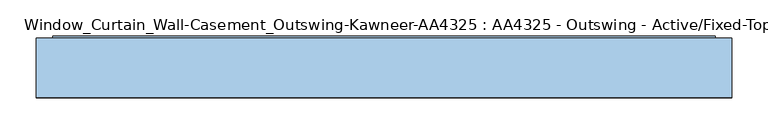
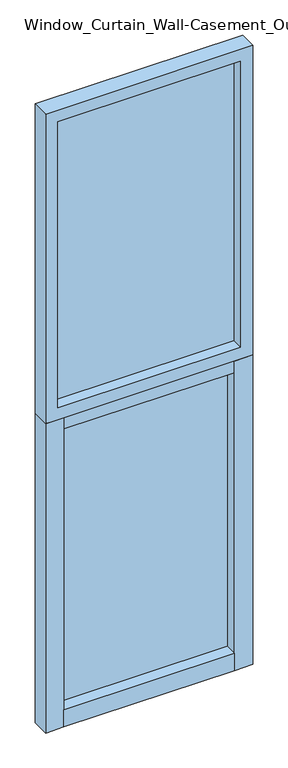
"""IFC4 building model written with IfcOpenShell, lengths in millimetres: window geometry, Window_Curtain_Wall-Casement_Outswing-Kawneer-AA4325 : AA4325 - Outswing - Active/Fixed-Top."""

from ifc_helpers import new_model, si_unit, frame, origin, origin_with_axes, place, context, project, spatial, polyline, outline, extrude, source, transform, mapped, element, save


def window_curtain_wall_casement_outswing_kawneer_aa4325_aa4325_23a7e854(model_context):
    return source(origin(), model_context, "Body", "SweptSolid", [
        extrude(outline(polyline([(3048.0, 482.6), (3048.0, -482.6), (1524.0, -482.6), (1524.0, 482.6), (3048.0, 482.6)]), holes=[polyline([(2990.85, 425.45), (1581.15, 425.45), (1581.15, -425.45), (2990.85, -425.45), (2990.85, 425.45)])]), frame((0.0, -41.275, 0.0), z_axis=(0.0, 1.0, 0.0), x_axis=(0.0, 0.0, 1.0)), (0.0, 0.0, 1.0), 82.55),
        extrude(outline(polyline([(25.4, -459.58125), (25.4, 459.58125), (1524.0, 459.58125), (1524.0, -459.58125), (25.4, -459.58125)]), holes=[polyline([(1464.46875, -400.05), (1464.46875, 400.05), (84.93125, 400.05), (84.93125, -400.05), (1464.46875, -400.05)])]), frame((0.0, -38.1, 0.0), z_axis=(0.0, 1.0, 0.0), x_axis=(0.0, 0.0, 1.0)), (0.0, 0.0, 1.0), 82.55),
        extrude(outline(polyline([(-425.45, 12.7), (-425.45, 38.1), (425.45, 38.1), (425.45, 12.7), (-425.45, 12.7)])), frame((0.0, 0.0, 1581.15), z_axis=(0.0, 0.0, 1.0), x_axis=(1.0, 0.0, 0.0)), (0.0, 0.0, 1.0), 1409.7),
        extrude(outline(polyline([(-400.05, 15.875), (-400.05, 41.275), (400.05, 41.275), (400.05, 15.875), (-400.05, 15.875)])), frame((0.0, 0.0, 84.93125), z_axis=(0.0, 0.0, 1.0), x_axis=(1.0, 0.0, 0.0)), (0.0, 0.0, 1.0), 1379.5375),
        extrude(outline(polyline([(396.875, 41.275), (396.875, -41.275), (-396.875, -41.275), (-396.875, 41.275), (396.875, 41.275)])), origin_with_axes(), (0.0, 0.0, 1.0), 85.725),
        extrude(outline(polyline([(-482.6, -41.275), (-482.6, 41.275), (-396.875, 41.275), (-396.875, -41.275), (-482.6, -41.275)])), origin_with_axes(), (0.0, 0.0, 1.0), 1524.0),
        extrude(outline(polyline([(482.6, -41.275), (396.875, -41.275), (396.875, 41.275), (482.6, 41.275), (482.6, -41.275)])), origin_with_axes(), (0.0, 0.0, 1.0), 1524.0),
    ])


if __name__ == "__main__":
    model = new_model("IFC4")
    model_context = context("Model", 3, world=origin())
    ifc_project = project(units=[si_unit("LENGTHUNIT", "METRE", prefix="MILLI")], contexts=[model_context])
    site = spatial("IfcSite", under=ifc_project)
    building = spatial("IfcBuilding", under=site)
    placement = place(None, origin())
    window_curtain_wall_casement_outswing_kawneer_aa4325_aa4325_shape = window_curtain_wall_casement_outswing_kawneer_aa4325_aa4325_23a7e854(model_context)
    element("IfcWindow", 1, ObjectType="Window_Curtain_Wall-Casement_Outswing-Kawneer-AA4325 : AA4325 - Outswing - Active/Fixed-Top", at=placement, inside=building, context=model_context, shape_type="MappedRepresentation", body=[
        mapped(window_curtain_wall_casement_outswing_kawneer_aa4325_aa4325_shape, transform((0.0, 0.0, 0.0), x_axis=(1.0, 0.0, 0.0), y_axis=(0.0, 1.0, 0.0), z_axis=(0.0, 0.0, 1.0))),
    ])
    save(model, "model.ifc")
